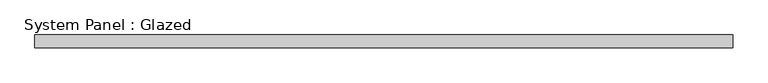
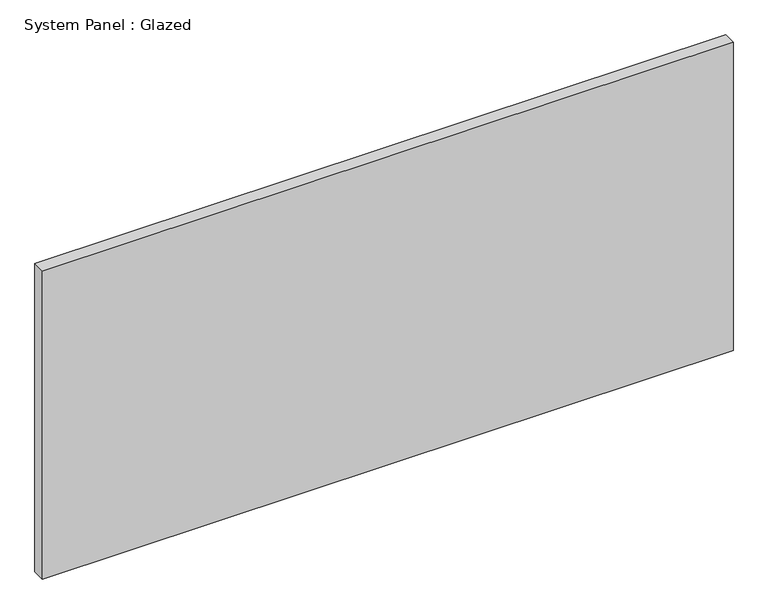
"""IFC4 building model written with IfcOpenShell, lengths in millimetres: plate geometry, System Panel : Glazed."""

from ifc_helpers import new_model, si_unit, origin, origin_with_axes, place, context, project, spatial, polyline, outline, extrude, source, transform, mapped, element, save


def system_panel_glazed_73aa52da(model_context):
    return source(origin(), model_context, "Body", "SweptSolid", [
        extrude(outline(polyline([(685.8, 19.05), (-685.8, 19.05), (-685.8, 44.45), (685.8, 44.45), (685.8, 19.05)])), origin_with_axes(), (0.0, 0.0, 1.0), 647.7),
    ])


if __name__ == "__main__":
    model = new_model("IFC4")
    model_context = context("Model", 3, world=origin())
    ifc_project = project(units=[si_unit("LENGTHUNIT", "METRE", prefix="MILLI")], contexts=[model_context])
    site = spatial("IfcSite", under=ifc_project)
    building = spatial("IfcBuilding", under=site)
    placement = place(None, origin())
    system_panel_glazed_shape = system_panel_glazed_73aa52da(model_context)
    element("IfcPlate", 1, ObjectType="System Panel : Glazed", at=placement, inside=building, context=model_context, shape_type="MappedRepresentation", body=[
        mapped(system_panel_glazed_shape, transform((0.0, 0.0, 0.0), x_axis=(1.0, 0.0, 0.0), y_axis=(0.0, 1.0, 0.0), z_axis=(0.0, 0.0, 1.0))),
    ])
    save(model, "model.ifc")
